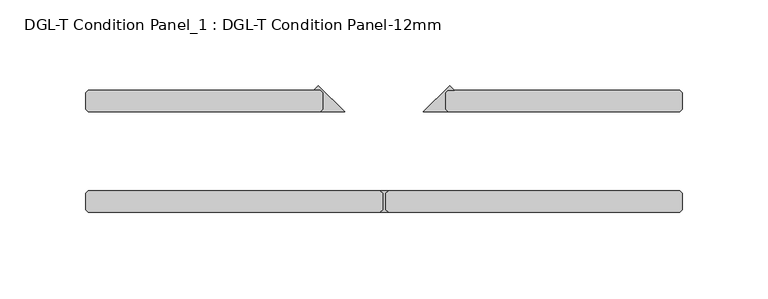
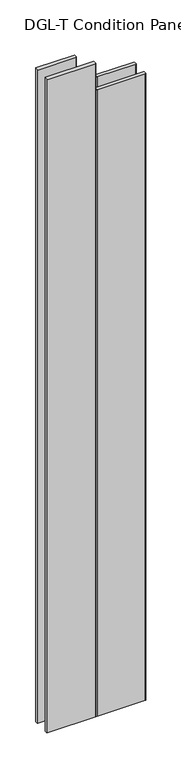
"""IFC4 building model written with IfcOpenShell, lengths in millimetres: plate geometry, DGL-T Condition Panel_1 : DGL-T Condition Panel-12mm."""

import ifcopenshell
import ifcopenshell.guid

model = None  # the IFC model being written
_history = None  # IfcOwnerHistory: only IFC2X3 demands one
_inside = {}  # id of a spatial element -> (the spatial element, [elements in it])
_under = {}  # id of a project, library or spatial element -> (it, [spatial elements below it])
_declared = {}  # id of a project -> (the project, [libraries it declares])
_typed = {}  # id of a type object -> (the type object, [elements of that type])
_made_of = {}  # id of a material, layer set ... -> (it, [elements and type objects made of it])


def new_model(schema):
    """Start an empty IFC model of exactly this schema.

    Asked for "IFC4X3", IfcOpenShell would pick the latest addendum, in which some entities
    have other attributes; the version numbers below select the first issue.
    IFC2X3 requires an IfcOwnerHistory on every rooted entity: one is made here for all.
    """
    global model, _history
    if schema == "IFC4X3":
        model = ifcopenshell.file(schema_version=(4, 3, 0, 0))
    else:
        model = ifcopenshell.file(schema=schema)
    _inside.clear()
    _under.clear()
    _declared.clear()
    _typed.clear()
    _made_of.clear()
    _history = None
    if model.schema == "IFC2X3":
        org = make("IfcOrganization", Name="unknown")
        user = make(
            "IfcPersonAndOrganization",
            ThePerson=make("IfcPerson", FamilyName="unknown"),
            TheOrganization=org,
        )
        app = make(
            "IfcApplication",
            ApplicationDeveloper=org,
            Version="unknown",
            ApplicationFullName="unknown",
            ApplicationIdentifier="unknown",
        )
        _history = make(
            "IfcOwnerHistory",
            OwningUser=user,
            OwningApplication=app,
            ChangeAction="ADDED",
            CreationDate=0,
        )
    return model


def make(cls, **values):
    """One entity of the class cls with the attributes given. An attribute that is None is left unset."""
    return model.create_entity(
        cls, **{name: value for name, value in values.items() if value is not None}
    )


def rooted(cls, **values):
    """An entity with a GlobalId (a new one), such as an element, a storey or a relation."""
    return make(cls, GlobalId=ifcopenshell.guid.new(), OwnerHistory=_history, **values)


def si_unit(unit_type, name, prefix=None):
    """IfcSIUnit, for example si_unit("LENGTHUNIT", "METRE", prefix="MILLI")."""
    return make("IfcSIUnit", UnitType=unit_type, Prefix=prefix, Name=name)


def assignment(units):
    """IfcUnitAssignment: the units of a project."""
    return None if units is None else make("IfcUnitAssignment", Units=units)


def point(xyz):
    """IfcCartesianPoint."""
    return None if xyz is None else make("IfcCartesianPoint", Coordinates=xyz)


def direction(xyz):
    """IfcDirection."""
    return None if xyz is None else make("IfcDirection", DirectionRatios=xyz)


def frame(location, z_axis=None, x_axis=None):
    """IfcAxis2Placement3D, a coordinate frame: its origin and axes. An axis left out is left unset."""
    return make(
        "IfcAxis2Placement3D",
        Location=point(location),
        Axis=direction(z_axis),
        RefDirection=direction(x_axis),
    )


def origin():
    """The frame at (0, 0, 0) with its axes left unset."""
    return frame((0.0, 0.0, 0.0))


def origin_with_axes():
    """The frame at (0, 0, 0) with the z axis (0, 0, 1) and the x axis (1, 0, 0) written out."""
    return frame((0.0, 0.0, 0.0), z_axis=(0.0, 0.0, 1.0), x_axis=(1.0, 0.0, 0.0))


def place(relative_to, where):
    """IfcLocalPlacement: puts the frame where relative to a parent placement (None: the world)."""
    return make(
        "IfcLocalPlacement", PlacementRelTo=relative_to, RelativePlacement=where
    )


def context(
    kind, dimensions, precision=None, world=None, true_north=None, identifier=None
):
    """IfcGeometricRepresentationContext, for example the 3D "Model" context."""
    return make(
        "IfcGeometricRepresentationContext",
        ContextIdentifier=identifier,
        ContextType=kind,
        CoordinateSpaceDimension=dimensions,
        Precision=precision,
        WorldCoordinateSystem=world,
        TrueNorth=true_north,
    )


def project(units=None, contexts=None):
    """IfcProject with its units and contexts."""
    return rooted(
        "IfcProject",
        Name="project",
        RepresentationContexts=contexts,
        UnitsInContext=assignment(units),
    )


def spatial(cls, under=None, at=None, **own):
    """A site, building, storey or space (cls), placed at a placement, below another one or the project."""
    s = rooted(cls, ObjectPlacement=at, **own)
    if under is not None:
        _under.setdefault(under.id(), (under, []))[1].append(s)
    return s


def polyline(points):
    """IfcPolyline through the points."""
    return make("IfcPolyline", Points=[point(p) for p in points])


def outline(outer, holes=None, kind="AREA"):
    """IfcArbitraryClosedProfileDef: a profile drawn as a closed curve; with holes, ...WithVoids."""
    if holes is None:
        return make("IfcArbitraryClosedProfileDef", ProfileType=kind, OuterCurve=outer)
    return make(
        "IfcArbitraryProfileDefWithVoids",
        ProfileType=kind,
        OuterCurve=outer,
        InnerCurves=holes,
    )


def extrude(swept, where, along, depth):
    """IfcExtrudedAreaSolid: the profile swept, set in the frame where, extruded along a direction by depth."""
    return make(
        "IfcExtrudedAreaSolid",
        SweptArea=swept,
        Position=where,
        ExtrudedDirection=direction(along),
        Depth=depth,
    )


def shape(context_of_items, identifier, shape_type, items):
    """IfcShapeRepresentation: the items that make up one representation, for example the "Body"."""
    return make(
        "IfcShapeRepresentation",
        ContextOfItems=context_of_items,
        RepresentationIdentifier=identifier,
        RepresentationType=shape_type,
        Items=items,
    )


def source(mapping_origin, context_of_items, identifier, shape_type, items):
    """IfcRepresentationMap: a shape defined once, which mapped items show again and again."""
    return make(
        "IfcRepresentationMap",
        MappingOrigin=mapping_origin,
        MappedRepresentation=shape(context_of_items, identifier, shape_type, items),
    )


def transform(
    local_origin,
    x_axis=None,
    y_axis=None,
    z_axis=None,
    scale=None,
    scale2=None,
    scale3=None,
    uniform=True,
):
    """IfcCartesianTransformationOperator3D, or its non-uniform kind. x_axis, y_axis, z_axis: its Axis1, 2, 3."""
    if uniform:
        return make(
            "IfcCartesianTransformationOperator3D",
            Axis1=direction(x_axis),
            Axis2=direction(y_axis),
            LocalOrigin=point(local_origin),
            Scale=scale,
            Axis3=direction(z_axis),
        )
    return make(
        "IfcCartesianTransformationOperator3DnonUniform",
        Axis1=direction(x_axis),
        Axis2=direction(y_axis),
        LocalOrigin=point(local_origin),
        Scale=scale,
        Axis3=direction(z_axis),
        Scale2=scale2,
        Scale3=scale3,
    )


def mapped(mapping_source, mapping_target):
    """IfcMappedItem: shows the shape of a source again, moved by a transform."""
    return make(
        "IfcMappedItem", MappingSource=mapping_source, MappingTarget=mapping_target
    )


def made_of(thing, what):
    """Note that an element or type object is made of a material, layer set ...; save() writes the relation."""
    if what is not None:
        _made_of.setdefault(what.id(), (what, []))[1].append(thing)
    return thing


def element(
    cls,
    number,
    at=None,
    inside=None,
    cuts=None,
    type_object=None,
    material=None,
    context=None,
    identifier="Body",
    shape_type=None,
    held_by="IfcProductDefinitionShape",
    body=None,
    shapes=None,
    **own,
):
    """One element of the class cls, such as IfcWall. Its Tag is "e" and its number.

    at: its placement. inside: the storey or other place that contains it. cuts: it is an
    opening in that element (IfcRelVoidsElement). A single representation is given by context,
    identifier, shape_type and body (its items); several are given by shapes. held_by: the class
    of the entity that holds the representations. save() writes the other relations.
    """
    e = rooted(cls, Tag="e%d" % number, ObjectPlacement=at, **own)
    if body is not None:
        shapes = [shape(context, identifier, shape_type, body)]
    if shapes is not None:
        e.Representation = make(held_by, Representations=shapes)
    if inside is not None:
        _inside.setdefault(inside.id(), (inside, []))[1].append(e)
    if cuts is not None:
        rooted(
            "IfcRelVoidsElement", RelatingBuildingElement=cuts, RelatedOpeningElement=e
        )
    if type_object is not None:
        _typed.setdefault(type_object.id(), (type_object, []))[1].append(e)
    return made_of(e, material)


def aggregate(whole, parts):
    """IfcRelAggregates: a whole, such as a stair, and the parts it consists of."""
    return rooted("IfcRelAggregates", RelatingObject=whole, RelatedObjects=parts)


def save(model, path):
    """Write the relations noted so far, then the file.

    IfcRelAggregates (storeys below a building ...), IfcRelContainedInSpatialStructure (elements
    in a storey), IfcRelDefinesByType, IfcRelAssociatesMaterial and IfcRelDeclares: one each for
    every whole, place, type object, material and project.
    """
    for whole, parts in _under.values():
        aggregate(whole, parts)
    for where, things in _inside.values():
        rooted(
            "IfcRelContainedInSpatialStructure",
            RelatedElements=things,
            RelatingStructure=where,
        )
    for kind, things in _typed.values():
        rooted("IfcRelDefinesByType", RelatedObjects=things, RelatingType=kind)
    for what, things in _made_of.values():
        rooted("IfcRelAssociatesMaterial", RelatedObjects=things, RelatingMaterial=what)
    for by, libraries in _declared.values():
        rooted("IfcRelDeclares", RelatingContext=by, RelatedDefinitions=libraries)
    model.write(path)


def dgl_t_condition_panel_1_dgl_t_condition_panel_12mm_baa97cc0(model_context):
    return source(origin(), model_context, "Body", "SweptSolid", [
        extrude(outline(polyline([(-35.71875, 24.60625), (-35.71875, 34.13125), (-37.30625, 35.71875), (-41.138814, 35.71875), (-38.428782, 38.428782), (-23.01875, 23.01875), (-37.30625, 23.01875), (-35.71875, 24.60625)])), origin_with_axes(), (0.0, 0.0, 1.0), 2339.4622278),
        extrude(outline(polyline([(35.71875, 24.60625), (37.30625, 23.01875), (23.01875, 23.01875), (38.428782, 38.428782), (41.138814, 35.71875), (37.30625, 35.71875), (35.71875, 34.13125), (35.71875, 24.60625)])), origin_with_axes(), (0.0, 0.0, 1.0), 2339.4622278),
        extrude(outline(polyline([(-172.9099394, 23.01875), (-174.4974394, 24.60625), (-174.4974394, 34.13125), (-172.9099394, 35.71875), (-37.30625, 35.71875), (-35.71875, 34.13125), (-35.71875, 24.60625), (-37.30625, 23.01875), (-172.9099394, 23.01875)])), origin_with_axes(), (0.0, 0.0, 1.0), 2438.4),
        extrude(outline(polyline([(-172.9099394, -35.71875), (-174.4974394, -34.13125), (-174.4974394, -24.60625), (-172.9099394, -23.01875), (-2.38125, -23.01875), (-0.79375, -24.60625), (-0.79375, -34.13125), (-2.38125, -35.71875), (-172.9099394, -35.71875)])), origin_with_axes(), (0.0, 0.0, 1.0), 2438.4),
        extrude(outline(polyline([(2.38125, -35.71875), (-2.38125, -35.71875), (-0.79375, -34.13125), (-0.79375, -24.60625), (-2.38125, -23.01875), (2.38125, -23.01875), (0.79375, -24.60625), (0.79375, -34.13125), (2.38125, -35.71875)])), origin_with_axes(), (0.0, 0.0, 1.0), 2339.4622278),
        extrude(outline(polyline([(172.9099394, 23.01875), (37.30625, 23.01875), (35.71875, 24.60625), (35.71875, 34.13125), (37.30625, 35.71875), (172.9099394, 35.71875), (174.4974394, 34.13125), (174.4974394, 24.60625), (172.9099394, 23.01875)])), origin_with_axes(), (0.0, 0.0, 1.0), 2339.4622278),
        extrude(outline(polyline([(172.9099394, -35.71875), (2.38125, -35.71875), (0.79375, -34.13125), (0.79375, -24.60625), (2.38125, -23.01875), (172.9099394, -23.01875), (174.4974394, -24.60625), (174.4974394, -34.13125), (172.9099394, -35.71875)])), origin_with_axes(), (0.0, 0.0, 1.0), 2339.4622278),
    ])


if __name__ == "__main__":
    model = new_model("IFC4")
    model_context = context("Model", 3, world=origin())
    ifc_project = project(units=[si_unit("LENGTHUNIT", "METRE", prefix="MILLI")], contexts=[model_context])
    site = spatial("IfcSite", under=ifc_project)
    building = spatial("IfcBuilding", under=site)
    placement = place(None, origin())
    dgl_t_condition_panel_1_dgl_t_condition_panel_12mm_shape = dgl_t_condition_panel_1_dgl_t_condition_panel_12mm_baa97cc0(model_context)
    element("IfcPlate", 1, ObjectType="DGL-T Condition Panel_1 : DGL-T Condition Panel-12mm", at=placement, inside=building, context=model_context, shape_type="MappedRepresentation", body=[
        mapped(dgl_t_condition_panel_1_dgl_t_condition_panel_12mm_shape, transform((0.0, 0.0, 0.0), x_axis=(1.0, 0.0, 0.0), y_axis=(0.0, 1.0, 0.0), z_axis=(0.0, 0.0, 1.0))),
    ])
    save(model, "model.ifc")
